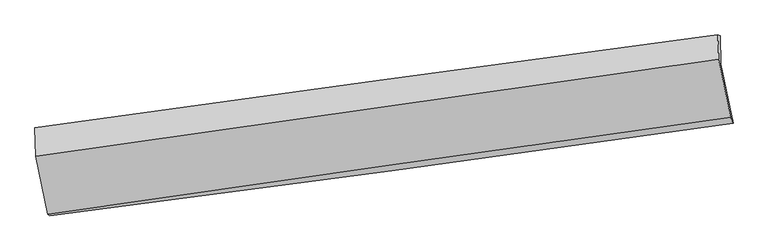
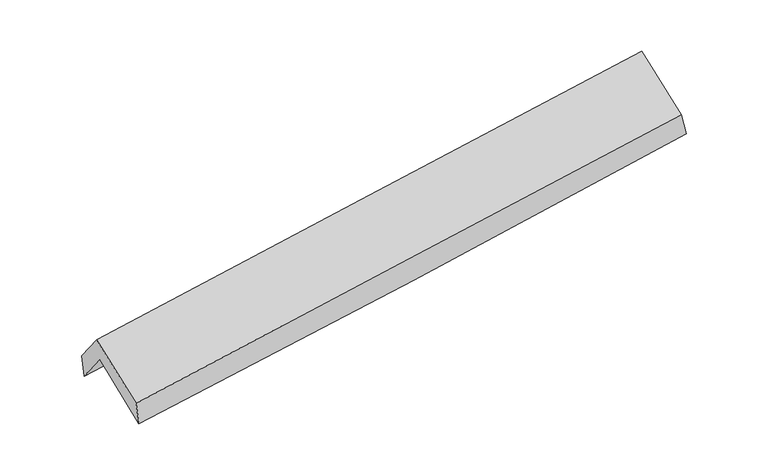
"""IFC4 building model written with IfcOpenShell, lengths in millimetres: proxy geometry."""

from ifc_helpers import new_model, si_unit, frame, origin, place, context, project, spatial, source, transform, mapped, element, save
from ifc_brep_helpers import plane_surface, spline_curve, spline_surface, advanced_brep


def generic_models_ed961c35(model_context):
    return source(origin(), model_context, "Body", "AdvancedBrep", [
        advanced_brep(
        [(-2907.2449684, -2492.1945785, 1450.5078556), (-3011.7241005, -1987.8210826, 1866.559096), (2950.8623283, -1166.9212673, 2371.9150672), (3057.3194364, -1680.8587233, 1948.012623), (-3019.0766414, -1734.649082, 1533.9807014), (2943.609268, -916.7774015, 2043.1760255), (-3038.9481142, -1722.602216, 1752.5547073), (2925.0594539, -911.4605084, 2257.0682502), (-3031.0173581, -1969.4638868, 2067.7003685), (2931.8992482, -1124.3636723, 2528.8621991), (-2926.9278418, -2476.9753499, 1661.5437245), (3035.3851199, -1628.9319324, 2125.0609728)],
        [
            (0, 1),
            (1, 2, spline_curve(3, [(-3011.7241005, -1987.8210826, 1866.559096), (-2017.17900958, -1848.377150416, 1937.089864153), (-1023.026130991, -1710.247118972, 2014.46806154), (964.502684258, -1436.613827486, 2182.919948751), (1957.878615492, -1301.110586996, 2273.993741961), (2950.8623283, -1166.9212673, 2371.9150672)], [4, 2, 4], [0.0, 9.90827471896265, 19.816624055707685])),
            (2, 3),
            (3, 0, spline_curve(3, [(3057.3194364, -1680.8587233, 1948.012623), (2064.894500329, -1822.846437085, 1856.345668158), (1071.633123455, -1961.45185715, 1769.053320358), (-916.555023904, -2231.897091112, 1603.218464079), (-1911.48178226, -2363.736956187, 1524.675888981), (-2907.2449684, -2492.1945785, 1450.5078556)], [4, 2, 4], [0.0, 9.908349336745035, 19.816624055707685])),
            (1, 4),
            (4, 5, spline_curve(3, [(-3019.0766414, -1734.649082, 1533.9807014), (-2024.340138476, -1600.931397259, 1611.732208637), (-1030.083263866, -1465.916843092, 1693.040732919), (957.478712858, -1193.292968967, 1862.772453992), (1950.78380836, -1055.683629903, 1951.195704584), (2943.609268, -916.7774015, 2043.1760255)], [4, 2, 4], [0.0, 9.908252410917756, 19.816579439449896])),
            (5, 2),
            (4, 6),
            (6, 7, spline_curve(3, [(-3038.9481142, -1722.602216, 1752.5547073), (-2045.18972707, -1584.165116779, 1834.205277245), (-1051.311774876, -1447.351673524, 1917.073194737), (936.690746127, -1176.971079582, 2085.244357097), (1930.815316576, -1043.403953895, 2170.547620954), (2925.0594539, -911.4605084, 2257.0682502)], [4, 2, 4], [0.0, 9.90816314633142, 19.816400909604987])),
            (7, 5),
            (6, 8),
            (8, 9, spline_curve(3, [(-3031.0173581, -1969.4638868, 2067.7003685), (-2037.342287885, -1828.43337032, 2146.040160117), (-1043.596907088, -1687.493358965, 2223.640066653), (944.04196057, -1405.793285918, 2377.360687968), (1937.935448378, -1265.033225853, 2453.481391776), (2931.8992482, -1124.3636723, 2528.8621991)], [4, 2, 4], [0.0, 9.908130485967414, 19.816335588631013])),
            (9, 7),
            (8, 10),
            (10, 11, spline_curve(3, [(-2926.9278418, -2476.9753499, 1661.5437245), (-1933.554593683, -2334.473233597, 1741.061223586), (-940.010427689, -2192.55215449, 1819.446269307), (1047.427223813, -1909.871006899, 1973.952035471), (2041.320711628, -1769.11094668, 2050.072739293), (3035.3851199, -1628.9319324, 2125.0609728)], [4, 2, 4], [0.0, 9.908324442597815, 19.816723503352474])),
            (11, 9),
            (10, 0),
            (3, 11),
        ],
        [
            spline_surface(3, 3, [[(-2907.2449684, -2492.1945785, 1450.5078556), (-1911.481782282, -2363.736956261, 1524.675889125), (-916.555023985, -2231.897091189, 1603.218463918), (1071.633123535, -1961.451857073, 1769.053320519), (2064.894500193, -1822.846437062, 1856.345668147), (3057.3194364, -1680.8587233, 1948.012623)], [(-2942.071345761, -2324.070079849, 1589.191602399), (-1946.714191353, -2191.950354293, 1662.147214153), (-952.045393039, -2058.013767111, 1740.301663128), (1035.922977139, -1786.50584718, 1907.008863286), (2029.222538668, -1648.934487044, 1995.561692703), (3021.833733703, -1509.546237939, 2089.313437714)], [(-2976.897723139, -2155.945581251, 1727.875349201), (-1981.946600441, -2020.16375238, 1799.618539185), (-987.535762059, -1884.130443086, 1877.3848623), (1000.212830777, -1611.559837342, 2044.964406014), (1993.550577134, -1475.02253711, 2134.777717318), (2986.348030997, -1338.233752661, 2230.614252486)], [(-3011.7241005, -1987.8210826, 1866.559096), (-2017.179009511, -1848.377150413, 1937.089864213), (-1023.026131113, -1710.247119008, 2014.468061511), (964.502684381, -1436.613827449, 2182.91994878), (1957.87861561, -1301.110587092, 2273.993741874), (2950.8623283, -1166.9212673, 2371.9150672)]], [4, 4], [4, 2, 4], [0.0, 2.214007675775304], [0.0, 9.90827471896265, 19.816624055707685]),
            spline_surface(3, 3, [[(-3011.7241005, -1987.8210826, 1866.559096), (-2017.179009511, -1848.377150413, 1937.089864213), (-1023.026131113, -1710.247119008, 2014.468061511), (964.502684381, -1436.613827449, 2182.91994878), (1957.87861561, -1301.110587092, 2273.993741874), (2950.8623283, -1166.9212673, 2371.9150672)], [(-3014.174947461, -1903.430415747, 1755.699631139), (-2019.566052546, -1765.895232699, 1828.637312396), (-1025.378508736, -1628.803693681, 1907.325618638), (962.161360597, -1355.506874657, 2076.204117202), (1955.513679814, -1219.301601341, 2166.394396125), (2948.44464154, -1083.539978729, 2262.33538666)], [(-3016.625794439, -1819.039748853, 1644.840166261), (-2021.953095599, -1683.413314944, 1720.184760563), (-1027.730886386, -1547.360268334, 1800.183175752), (959.820036785, -1274.399921845, 1969.488285609), (1953.148743999, -1137.492615501, 2058.795050295), (2946.02695476, -1000.158690071, 2152.75570604)], [(-3019.0766414, -1734.649082, 1533.9807014), (-2024.340138634, -1600.93139723, 1611.732208747), (-1030.083264009, -1465.916843006, 1693.04073288), (957.478713002, -1193.292969052, 1862.77245403), (1950.783808203, -1055.68362975, 1951.195704546), (2943.609268, -916.7774015, 2043.1760255)]], [4, 4], [4, 2, 4], [0.0, 1.3221623384973082], [0.0, 9.908252410917756, 19.816579439449896]),
            spline_surface(3, 3, [[(-3019.0766414, -1734.649082, 1533.9807014), (-2024.340138634, -1600.93139723, 1611.732208747), (-1030.083264009, -1465.916843006, 1693.04073288), (957.478713002, -1193.292969052, 1862.77245403), (1950.783808203, -1055.68362975, 1951.195704546), (2943.609268, -916.7774015, 2043.1760255)], [(-3025.700465683, -1730.633459992, 1606.838703391), (-2031.290001483, -1595.342637097, 1685.889898264), (-1037.159434288, -1459.728453132, 1767.718220104), (950.549390682, -1187.852339281, 1936.929755075), (1944.127644284, -1051.590404485, 2024.313009957), (2937.425996623, -915.005103788, 2114.473433712)], [(-3032.324289917, -1726.617838008, 1679.696705309), (-2038.239864282, -1589.753876988, 1760.047587707), (-1044.23560454, -1453.540063249, 1842.395707387), (943.620068391, -1182.411709501, 2011.087056178), (1937.471480396, -1047.497179256, 2097.430315431), (2931.242725277, -913.232806112, 2185.770841988)], [(-3038.9481142, -1722.602216, 1752.5547073), (-2045.189727131, -1584.165116855, 1834.205277224), (-1051.31177482, -1447.351673376, 1917.073194611), (936.690746071, -1176.97107973, 2085.244357223), (1930.815316476, -1043.403953991, 2170.547620842), (2925.0594539, -911.4605084, 2257.0682502)]], [4, 4], [4, 2, 4], [0.0, 0.73791301915389], [0.0, 9.90816314633142, 19.816400909604987]),
            spline_surface(3, 3, [[(-3038.9481142, -1722.602216, 1752.5547073), (-2045.189727131, -1584.165116855, 1834.205277224), (-1051.31177482, -1447.351673376, 1917.073194611), (936.690746071, -1176.97107973, 2085.244357223), (1930.815316476, -1043.403953991, 2170.547620842), (2925.0594539, -911.4605084, 2257.0682502)], [(-3036.304528842, -1804.889439602, 1857.603261004), (-2042.573914088, -1665.587867981, 1938.150238178), (-1048.740152252, -1527.398901882, 2019.262151954), (939.141150917, -1253.245148501, 2182.616467483), (1933.188693827, -1117.280377952, 2264.858877804), (2927.339385349, -982.428229708, 2347.666233176)], [(-3033.660943458, -1887.176663198, 1962.651814796), (-2039.958101021, -1747.010619101, 2042.095199221), (-1046.168529689, -1607.44613036, 2121.451109286), (941.591555758, -1329.519217245, 2279.988577732), (1935.562071129, -1191.156801888, 2359.170134738), (2929.619316751, -1053.395950992, 2438.264216124)], [(-3031.0173581, -1969.4638868, 2067.7003685), (-2037.342287979, -1828.433370226, 2146.040160176), (-1043.596907121, -1687.493358866, 2223.640066629), (944.041960603, -1405.793286017, 2377.360687992), (1937.935448479, -1265.033225849, 2453.4813917), (2931.8992482, -1124.3636723, 2528.8621991)]], [4, 4], [4, 2, 4], [0.0, 1.247771483184633], [0.0, 9.908130485967414, 19.816335588631013]),
            spline_surface(3, 3, [[(-3031.0173581, -1969.4638868, 2067.7003685), (-2037.342287979, -1828.433370226, 2146.040160176), (-1043.596907121, -1687.493358866, 2223.640066629), (944.041960603, -1405.793286017, 2377.360687992), (1937.935448479, -1265.033225849, 2453.4813917), (2931.8992482, -1124.3636723, 2528.8621991)], [(-2996.320852653, -2138.634374489, 1932.314820508), (-2002.746389846, -1997.113324701, 2011.047181295), (-1009.068080615, -1855.846290787, 2088.908800818), (978.503714978, -1573.819192923, 2242.891137221), (1972.397202854, -1433.059132754, 2319.011840929), (2966.394538767, -1292.553092329, 2394.261790316)], [(-2961.624347247, -2307.804862211, 1796.929272492), (-1968.150491753, -2165.79327921, 1876.05420239), (-974.539254108, -2024.199222721, 1954.177534959), (1012.965469352, -1741.845099841, 2108.421586402), (2006.858957228, -1601.085039672, 2184.54229021), (3000.889829333, -1460.742512371, 2259.661381584)], [(-2926.9278418, -2476.9753499, 1661.5437245), (-1933.55459362, -2334.473233684, 1741.061223509), (-940.010427602, -2192.552154642, 1819.446269147), (1047.427223726, -1909.871006746, 1973.952035631), (2041.320711603, -1769.110946578, 2050.072739439), (3035.3851199, -1628.9319324, 2125.0609728)]], [4, 4], [4, 2, 4], [0.0, 2.1472686708816333], [0.0, 9.908324442597815, 19.816723503352474]),
            spline_surface(3, 3, [[(-2926.9278418, -2476.9753499, 1661.5437245), (-1933.55459362, -2334.473233684, 1741.061223509), (-940.010427602, -2192.552154642, 1819.446269147), (1047.427223726, -1909.871006746, 1973.952035631), (2041.320711603, -1769.110946578, 2050.072739439), (3035.3851199, -1628.9319324, 2125.0609728)], [(-2920.366884001, -2482.048426122, 1591.19843486), (-1926.196989842, -2344.227807898, 1668.932778708), (-932.19195972, -2205.667133495, 1747.370334053), (1055.495857006, -1927.064623525, 1905.652463909), (2049.178641118, -1787.022776747, 1985.49704903), (3042.696558719, -1646.240862707, 2066.044856222)], [(-2913.805926199, -2487.121502278, 1520.85314524), (-1918.839386061, -2353.982382047, 1596.804333926), (-924.373491867, -2218.782112337, 1675.294399012), (1063.564490256, -1944.258240294, 1837.35289224), (2057.036570678, -1804.934606893, 1920.921358556), (3050.007997581, -1663.549792993, 2007.028739578)], [(-2907.2449684, -2492.1945785, 1450.5078556), (-1911.481782282, -2363.736956261, 1524.675889125), (-916.555023985, -2231.897091189, 1603.218463918), (1071.633123535, -1961.451857073, 1769.053320519), (2064.894500193, -1822.846437062, 1856.345668147), (3057.3194364, -1680.8587233, 1948.012623)]], [4, 4], [4, 2, 4], [0.0, 0.7110545734603217], [0.0, 9.908163851282543, 19.81640231951254]),
            plane_surface(frame((2974.0224758, -1238.2189175, 2212.3491896), z_axis=(0.9871982555414921, 0.13667444835800838, 0.08221739123731123), x_axis=(0.1581174155425521, -0.7709364374009579, -0.6169731699107044))),
            plane_surface(frame((-2989.1565041, -2063.9510326, 1722.1410755), z_axis=(-0.9871982555414678, -0.1366744483587269, -0.08221739123640835), x_axis=(-0.0926263856416959, 0.07162074942119268, 0.9931217553428696))),
        ],
        [
            (0, [[1, 2, 3, 4]]),
            (1, [[5, 6, 7, -2]]),
            (2, [[8, 9, 10, -6]]),
            (3, [[11, 12, 13, -9]]),
            (4, [[14, 15, 16, -12]]),
            (5, [[17, -4, 18, -15]]),
            (6, [[-16, -18, -3, -7, -10, -13]]),
            (7, [[-17, -14, -11, -8, -5, -1]]),
        ],
    ),
    ])


if __name__ == "__main__":
    model = new_model("IFC4")
    model_context = context("Model", 3, world=origin())
    ifc_project = project(units=[si_unit("LENGTHUNIT", "METRE", prefix="MILLI")], contexts=[model_context])
    site = spatial("IfcSite", under=ifc_project)
    building = spatial("IfcBuilding", under=site)
    placement = place(None, origin())
    generic_models_shape = generic_models_ed961c35(model_context)
    element("IfcBuildingElementProxy", 1, Name="Generic Models", at=placement, inside=building, context=model_context, shape_type="MappedRepresentation", body=[
        mapped(generic_models_shape, transform((0.0, 0.0, 0.0), x_axis=(1.0, 0.0, 0.0), y_axis=(0.0, 1.0, 0.0), z_axis=(0.0, 0.0, 1.0))),
    ])
    save(model, "model.ifc")
